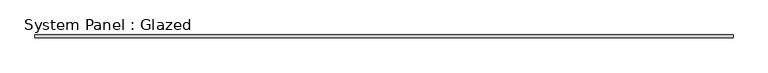
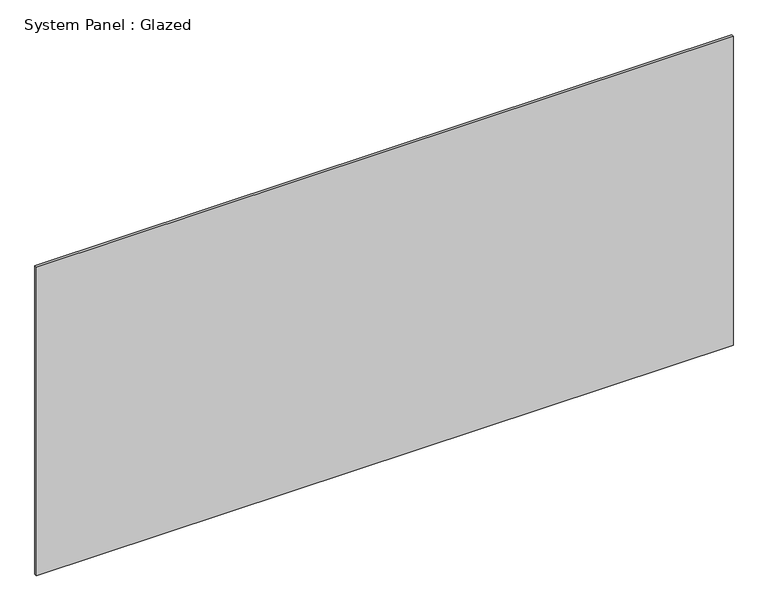
"""IFC4 building model written with IfcOpenShell, lengths in millimetres: plate geometry, System Panel : Glazed."""

from ifc_helpers import new_model, si_unit, origin, origin_with_axes, place, context, project, spatial, polyline, outline, extrude, source, transform, mapped, element, save


def system_panel_glazed_83a013f1(model_context):
    return source(origin(), model_context, "Body", "SweptSolid", [
        extrude(outline(polyline([(3253.5737986, 19.05), (-3253.5737986, 19.05), (-3253.5737986, 44.45), (3253.5737986, 44.45), (3253.5737986, 19.05)])), origin_with_axes(), (0.0, 0.0, 1.0), 3048.0),
    ])


if __name__ == "__main__":
    model = new_model("IFC4")
    model_context = context("Model", 3, world=origin())
    ifc_project = project(units=[si_unit("LENGTHUNIT", "METRE", prefix="MILLI")], contexts=[model_context])
    site = spatial("IfcSite", under=ifc_project)
    building = spatial("IfcBuilding", under=site)
    placement = place(None, origin())
    system_panel_glazed_shape = system_panel_glazed_83a013f1(model_context)
    element("IfcPlate", 1, ObjectType="System Panel : Glazed", at=placement, inside=building, context=model_context, shape_type="MappedRepresentation", body=[
        mapped(system_panel_glazed_shape, transform((0.0, 0.0, 0.0), x_axis=(1.0, 0.0, 0.0), y_axis=(0.0, 1.0, 0.0), z_axis=(0.0, 0.0, 1.0))),
    ])
    save(model, "model.ifc")
